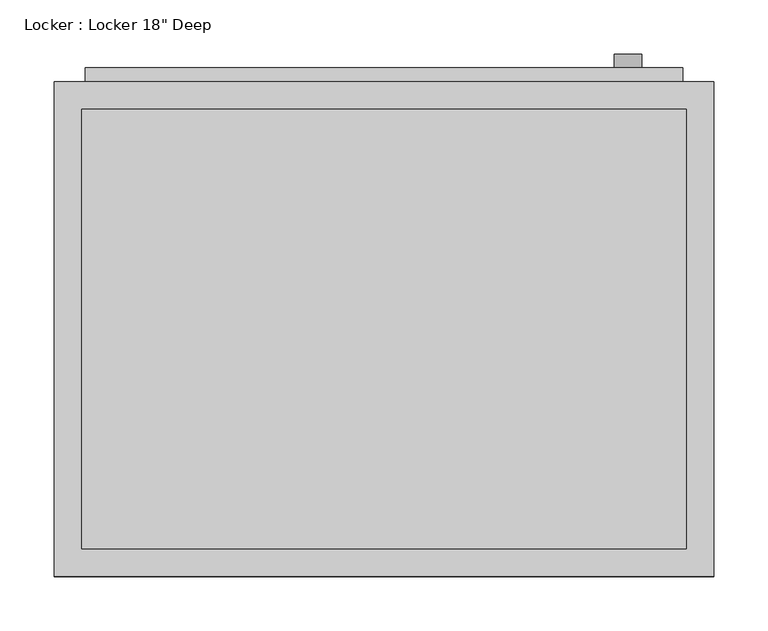
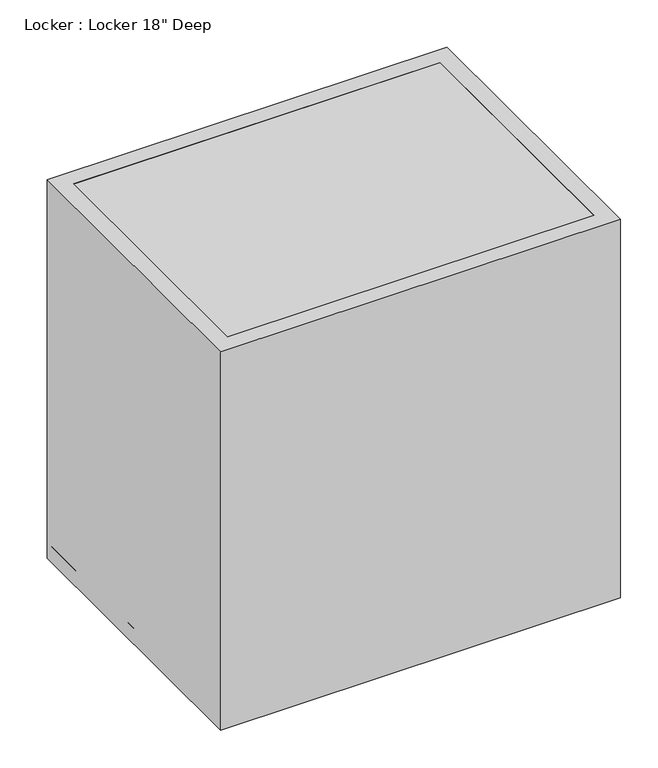
"""IFC4 building model written with IfcOpenShell, lengths in millimetres: proxy geometry."""

from ifc_helpers import new_model, si_unit, point, frame, frame_2d, origin, origin_with_axes, place, context, project, spatial, polyline, circle_curve, trimmed, segment, composite_curve, outline, extrude, faceted_brep, source, transform, mapped, element, save


def proxy_2d42abcc(model_context):
    return source(origin(), model_context, "Body", "SolidModel", [
        extrude(outline(polyline([(581.025, 581.025), (581.025, 28.575), (28.575, 28.575), (28.575, 581.025), (581.025, 581.025)]), holes=[polyline([(498.475, 381.0), (498.475, 228.6), (504.825, 228.6), (504.825, 381.0), (498.475, 381.0)]), polyline([(473.075, 381.0), (473.075, 228.6), (479.425, 228.6), (479.425, 381.0), (473.075, 381.0)]), polyline([(447.675, 381.0), (447.675, 228.6), (454.025, 228.6), (454.025, 381.0), (447.675, 381.0)]), polyline([(111.125, 381.0), (104.775, 381.0), (104.775, 228.6), (111.125, 228.6), (111.125, 381.0)]), polyline([(136.525, 381.0), (130.175, 381.0), (130.175, 228.6), (136.525, 228.6), (136.525, 381.0)]), polyline([(161.925, 381.0), (155.575, 381.0), (155.575, 228.6), (161.925, 228.6), (161.925, 381.0)])]), frame((0.0, 0.0, 0.0), z_axis=(0.0, 1.0, 0.0), x_axis=(0.0, 0.0, 1.0)), (0.0, 0.0, 1.0), 12.7),
        faceted_brep([(609.6, 0.0, 609.6), (0.0, 0.0, 609.6), (0.0, -457.2, 609.6), (609.6, -457.2, 609.6), (25.4, -25.4, 609.6), (584.2, -25.4, 609.6), (584.2, -431.8, 609.6), (25.4, -431.8, 609.6), (609.6, 0.0, 0.0), (609.6, -457.2, 0.0), (0.0, -457.2, 0.0), (0.0, 0.0, 0.0), (25.4, -25.4, 0.0), (25.4, -431.8, 0.0), (584.2, -431.8, 0.0), (584.2, -25.4, 0.0), (381.0, 0.0, 504.825), (228.6, 0.0, 504.825), (228.6, 0.0, 498.475), (381.0, 0.0, 498.475), (381.0, 0.0, 479.425), (228.6, 0.0, 479.425), (228.6, 0.0, 473.075), (381.0, 0.0, 473.075), (381.0, 0.0, 454.025), (228.6, 0.0, 454.025), (228.6, 0.0, 447.675), (381.0, 0.0, 447.675), (228.6, 0.0, 111.125), (228.6, 0.0, 104.775), (381.0, 0.0, 104.775), (381.0, 0.0, 111.125), (228.6, 0.0, 136.525), (228.6, 0.0, 130.175), (381.0, 0.0, 130.175), (381.0, 0.0, 136.525), (228.6, 0.0, 161.925), (228.6, 0.0, 155.575), (381.0, 0.0, 155.575), (381.0, 0.0, 161.925), (381.0, -25.4, 498.475), (228.6, -25.4, 498.475), (228.6, -25.4, 504.825), (381.0, -25.4, 504.825), (381.0, -25.4, 473.075), (228.6, -25.4, 473.075), (228.6, -25.4, 479.425), (381.0, -25.4, 479.425), (381.0, -25.4, 447.675), (228.6, -25.4, 447.675), (228.6, -25.4, 454.025), (381.0, -25.4, 454.025), (381.0, -25.4, 111.125), (381.0, -25.4, 104.775), (228.6, -25.4, 104.775), (228.6, -25.4, 111.125), (381.0, -25.4, 136.525), (381.0, -25.4, 130.175), (228.6, -25.4, 130.175), (228.6, -25.4, 136.525), (381.0, -25.4, 161.925), (381.0, -25.4, 155.575), (228.6, -25.4, 155.575), (228.6, -25.4, 161.925)], [[[0, 1, 2, 3], [4, 5, 6, 7]], [[8, 9, 10, 11], [12, 13, 14, 15]], [[3, 9, 8, 0]], [[2, 10, 9, 3]], [[1, 11, 10, 2]], [[0, 8, 11, 1], [16, 17, 18, 19], [20, 21, 22, 23], [24, 25, 26, 27], [28, 29, 30, 31], [32, 33, 34, 35], [36, 37, 38, 39]], [[7, 13, 12, 4]], [[6, 14, 13, 7]], [[5, 15, 14, 6]], [[4, 12, 15, 5], [40, 41, 42, 43], [44, 45, 46, 47], [48, 49, 50, 51], [52, 53, 54, 55], [56, 57, 58, 59], [60, 61, 62, 63]], [[40, 43, 16, 19]], [[43, 42, 17, 16]], [[42, 41, 18, 17]], [[19, 18, 41, 40]], [[44, 47, 20, 23]], [[47, 46, 21, 20]], [[46, 45, 22, 21]], [[23, 22, 45, 44]], [[48, 51, 24, 27]], [[51, 50, 25, 24]], [[50, 49, 26, 25]], [[27, 26, 49, 48]], [[52, 55, 28, 31]], [[55, 54, 29, 28]], [[54, 53, 30, 29]], [[31, 30, 53, 52]], [[56, 59, 32, 35]], [[59, 58, 33, 32]], [[58, 57, 34, 33]], [[35, 34, 57, 56]], [[60, 63, 36, 39]], [[63, 62, 37, 36]], [[62, 61, 38, 37]], [[39, 38, 61, 60]]]),
        extrude(outline(composite_curve([segment(trimmed(circle_curve(frame_2d((304.8, 530.225)), 12.7), [point((304.8, 517.525))], [point((304.8, 542.925))], False, "CARTESIAN"), True, "CONTINUOUS"), segment(trimmed(circle_curve(frame_2d((304.8, 530.225)), 12.7), [point((304.8, 542.925))], [point((304.8, 517.525))], False, "CARTESIAN"), True, "CONTINUOUS")], self_intersect=False)), frame((0.0, 0.0, 0.0), z_axis=(0.0, 1.0, 0.0), x_axis=(0.0, 0.0, 1.0)), (0.0, 0.0, 1.0), 25.4),
        extrude(outline(polyline([(532.5246157, 25.4), (532.5246157, 0.0), (526.1746157, 0.0), (526.1746157, 25.4), (532.5246157, 25.4)])), frame((0.0, 0.0, 209.1880316), z_axis=(0.0, 0.0, 1.0), x_axis=(1.0, 0.0, 0.0)), (0.0, 0.0, 1.0), 76.2),
        extrude(outline(polyline([(609.6, -457.2), (0.0, -457.2), (0.0, 0.0), (609.6, 0.0), (609.6, -457.2)])), frame((0.0, 0.0, 584.2), z_axis=(0.0, 0.0, 1.0), x_axis=(1.0, 0.0, 0.0)), (0.0, 0.0, 1.0), 25.4),
        extrude(outline(polyline([(609.6, 0.0), (609.6, -457.2), (0.0, -457.2), (0.0, 0.0), (609.6, 0.0)])), origin_with_axes(), (0.0, 0.0, 1.0), 25.4),
    ])


if __name__ == "__main__":
    model = new_model("IFC4")
    model_context = context("Model", 3, world=origin())
    ifc_project = project(units=[si_unit("LENGTHUNIT", "METRE", prefix="MILLI")], contexts=[model_context])
    site = spatial("IfcSite", under=ifc_project)
    building = spatial("IfcBuilding", under=site)
    placement = place(None, origin())
    proxy_shape = proxy_2d42abcc(model_context)
    element("IfcBuildingElementProxy", 1, Name="Locker : Locker 18\" Deep", ObjectType="Locker : Locker 18\" Deep", at=placement, inside=building, context=model_context, shape_type="MappedRepresentation", body=[
        mapped(proxy_shape, transform((0.0, 0.0, 0.0), x_axis=(1.0, 0.0, 0.0), y_axis=(0.0, 1.0, 0.0), z_axis=(0.0, 0.0, 1.0))),
    ])
    save(model, "model.ifc")
